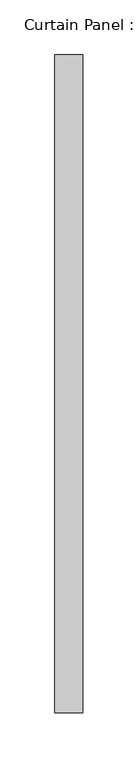
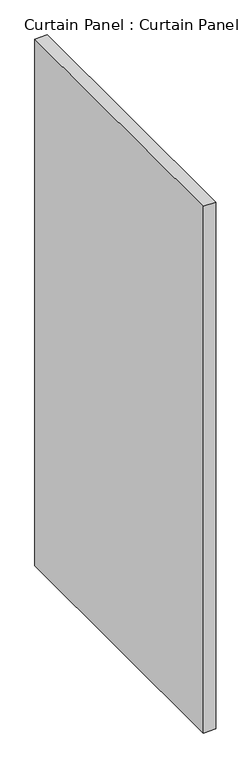
"""IFC4 building model written with IfcOpenShell, lengths in millimetres: plate geometry, Curtain Panel : Curtain Panel."""

from ifc_helpers import new_model, si_unit, frame, origin, place, context, project, spatial, polyline, outline, extrude, source, transform, mapped, element, save


def curtain_panel_curtain_panel_4411597e(model_context):
    return source(origin(), model_context, "Body", "SweptSolid", [
        extrude(outline(polyline([(-35292.8444373, 506.5314396), (-35292.8444373, -91.9600874), (-35318.2444373, -91.9600874), (-35318.2444373, 506.5314396), (-35292.8444373, 506.5314396)])), frame((0.0, 0.0, 1767.7863442), z_axis=(0.0, 0.0, 1.0), x_axis=(1.0, 0.0, 0.0)), (0.0, 0.0, 1.0), 1141.8873856),
    ])


if __name__ == "__main__":
    model = new_model("IFC4")
    model_context = context("Model", 3, world=origin())
    ifc_project = project(units=[si_unit("LENGTHUNIT", "METRE", prefix="MILLI")], contexts=[model_context])
    site = spatial("IfcSite", under=ifc_project)
    building = spatial("IfcBuilding", under=site)
    placement = place(None, origin())
    curtain_panel_curtain_panel_shape = curtain_panel_curtain_panel_4411597e(model_context)
    element("IfcPlate", 1, ObjectType="Curtain Panel : Curtain Panel", at=placement, inside=building, context=model_context, shape_type="MappedRepresentation", body=[
        mapped(curtain_panel_curtain_panel_shape, transform((0.0, 0.0, 0.0), x_axis=(1.0, 0.0, 0.0), y_axis=(0.0, 1.0, 0.0), z_axis=(0.0, 0.0, 1.0))),
    ])
    save(model, "model.ifc")
